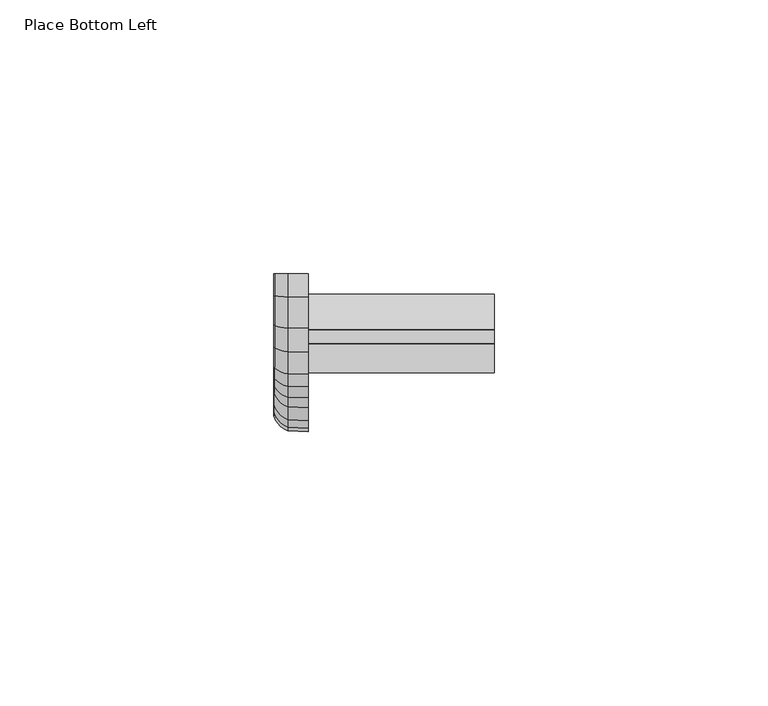
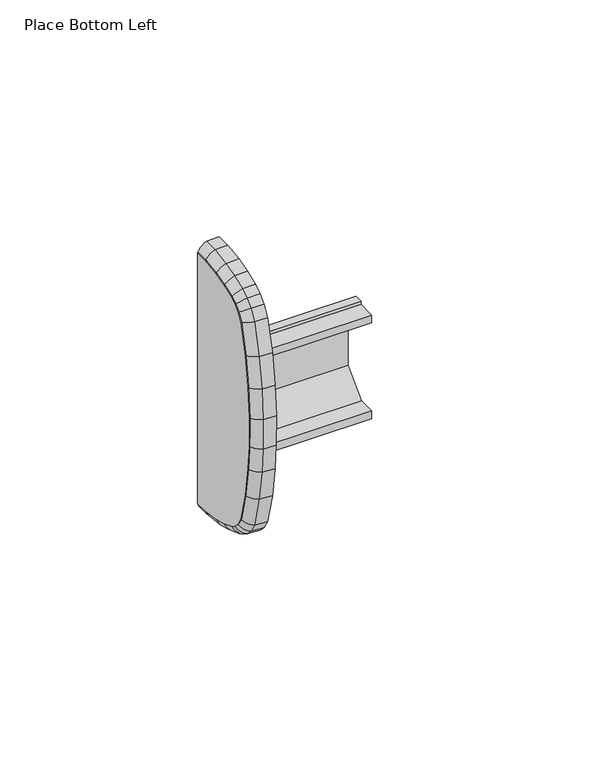
"""IFC4 building model written with IfcOpenShell, lengths in millimetres: furniture geometry, Place Bottom Left."""

from ifc_helpers import new_model, si_unit, frame, origin, place, context, project, spatial, polyline, circle_curve, ellipse_curve, outline, extrude, source, transform, mapped, element, save
from ifc_brep_helpers import plane_surface, cylinder_surface, advanced_brep


def place_bottom_left_934e54ec(model_context):
    return source(origin(), model_context, "Body", "SolidModel", [
        extrude(outline(polyline([(0.0345068, 882.7513972), (0.0345068, 805.5032499), (-4.0166405, 805.5502321), (-9.3269324, 806.320355), (-13.372825, 807.4048753), (-17.0045165, 808.8189114), (-18.7701717, 809.9411301), (-20.2975267, 811.4684851), (-21.7027528, 813.8097775), (-23.8895613, 822.6407597), (-25.23706, 831.6025303), (-25.8162884, 838.9254787), (-25.8925026, 847.8079827), (-25.2359754, 856.6593307), (-23.8895635, 865.6138875), (-21.7027531, 874.4448686), (-20.3113724, 876.7630899), (-18.7701751, 878.3135174), (-17.0045177, 879.4357352), (-13.372825, 880.8497719), (-9.3269329, 881.9342921), (-4.016627, 882.7044151), (0.0345068, 882.7513972)])), frame((-6.2857404, 0.0, 0.0), z_axis=(1.0, 0.0, 0.0), x_axis=(0.0, 1.0, 0.0)), (0.0, 0.0, 1.0), 6.2857404),
        advanced_brep(
        [(-6.2857404, 0.0345067, 805.5032499), (0.0, 0.0345067, 805.5032499), (0.0, 0.0, 802.5278279), (-3.7374705, 0.0022714, 802.7236872), (-3.7374705, -4.2331853, 802.7728069), (-6.2857404, -4.0166405, 805.5502321), (0.0, -4.0166405, 805.5502321), (0.0, -9.3269324, 806.320355), (0.0, -13.372825, 807.4048753), (0.0, -17.0045165, 808.8189114), (0.0, -18.7406187, 809.9223468), (0.0, -20.3136941, 811.4954222), (0.0, -21.7027528, 813.8097775), (0.0, -23.8895613, 822.6407597), (0.0, -25.23706, 831.6025303), (0.0, -25.8162884, 838.9254787), (0.0, -25.8925026, 847.8079827), (0.0, -25.2359754, 856.6593307), (0.0, -23.8895635, 865.6138875), (0.0, -21.7027531, 874.4448686), (0.0, -20.2954399, 876.7896355), (0.0, -18.7739699, 878.3111055), (0.0, -17.0045177, 879.4357352), (0.0, -13.372825, 880.8497719), (0.0, -9.3269329, 881.9342921), (0.0, -4.016627, 882.7044151), (0.0, 0.0345068, 882.7513972), (0.0, 0.0, 885.7268193), (0.0, -4.24843, 885.677549), (0.0, -9.9277677, 884.8539074), (0.0, -14.3006328, 883.6817406), (0.0, -18.3551887, 882.1030579), (0.0, -20.6464891, 880.6467515), (0.0, -22.6583951, 878.6348454), (0.0, -24.4838344, 875.5934262), (0.0, -26.8114085, 866.1939999), (0.0, -28.1951654, 856.9910733), (0.0, -28.8690704, 847.905436), (0.0, -28.7909025, 838.7952363), (0.0, -28.1951654, 831.2635739), (0.0, -26.8114062, 822.0606472), (0.0, -24.4838344, 812.661221), (0.0, -22.67665, 809.6502129), (0.0, -20.6131389, 807.5867018), (0.0, -18.3551887, 806.1515893), (0.0, -14.3006328, 804.5729065), (0.0, -9.9277677, 803.4007397), (0.0, -4.2484439, 802.5770981), (-3.7374705, -9.8882173, 803.5929256), (-6.2857404, -9.3269324, 806.320355), (-3.7374705, -14.2395592, 804.759323), (-6.2857404, -13.372825, 807.4048753), (-3.7374705, -18.2662797, 806.3271677), (-6.2857404, -17.0045165, 808.8189114), (-3.7374705, -20.4898788, 807.7404473), (-6.2857404, -18.7406187, 809.9223468), (-6.2857404, -20.3136941, 811.4954222), (-3.7374705, -22.5211067, 809.7716752), (-3.7374705, -24.3007676, 812.7368256), (-6.2857404, -21.7027528, 813.8097775), (-3.7374705, -26.6190736, 822.0988336), (-6.2857404, -23.8895613, 822.6407597), (-3.7374705, -28.0004459, 831.2858859), (-6.2857404, -25.23706, 831.6025303), (-3.7374705, -28.5950963, 838.8038096), (-6.2857404, -25.8162884, 838.9254787), (-3.7374705, -28.6731357, 847.8990211), (-6.2857404, -25.8925026, 847.8079827), (-3.7374705, -28.0003745, 856.9692361), (-6.2857404, -25.2359754, 856.6593307), (-3.7374705, -26.6190759, 866.1558136), (-6.2857404, -23.8895635, 865.6138875), (-3.7374705, -24.3007677, 875.5178215), (-6.2857404, -21.7027531, 874.4448686), (-3.7374705, -22.5028519, 878.5133831), (-6.2857404, -20.2954399, 876.7896355), (-6.2857404, -18.7739699, 878.3111055), (-3.7374705, -20.5232292, 880.4930058), (-3.7374705, -18.2662798, 881.9274794), (-6.2857404, -17.0045177, 879.4357352), (-3.7374705, -14.2395592, 883.4953242), (-6.2857404, -13.372825, 880.8497719), (-3.7374705, -9.8882173, 884.6617216), (-6.2857404, -9.3269329, 881.9342921), (-3.7374705, -4.2331714, 885.4818403), (-6.2857404, -4.016627, 882.7044151), (-6.2857404, 0.0345068, 882.7513972), (-3.7374705, 0.0022714, 885.5309599)],
        [
            (0, 1),
            (1, 2),
            (2, 3, circle_curve(frame((-0.8383441, 0.2291342, 822.2854707), z_axis=(0.0, 0.9999327587268309, -0.011596466054342036), x_axis=(0.0, -0.011596466054342036, -0.9999327587268309)), 19.7767482)),
            (3, 0, circle_curve(frame((-2.1283423, 0.0490404, 806.7564543), z_axis=(0.0, 0.9999327587268309, -0.011596466054342036), x_axis=(0.0, -0.011596466054342036, -0.9999327587268309)), 4.3421988)),
            (3, 4),
            (4, 5, ellipse_curve(frame((-2.1283423, -3.9190083, 806.8024727), z_axis=(0.0, 0.9969744367081164, -0.07773012640240598), x_axis=(0.0, 0.07773012640240747, 0.9969744367081165)), 4.3517344, 4.3421988)),
            (5, 0),
            (5, 6),
            (6, 1),
            (6, 7),
            (7, 8),
            (8, 9),
            (9, 10),
            (10, 11),
            (11, 12),
            (12, 13),
            (13, 14),
            (14, 15),
            (15, 16),
            (16, 17),
            (17, 18),
            (18, 19),
            (19, 20),
            (20, 21),
            (21, 22),
            (22, 23),
            (23, 24),
            (24, 25),
            (25, 26),
            (26, 27),
            (27, 28),
            (28, 29),
            (29, 30),
            (30, 31),
            (31, 32),
            (32, 33),
            (33, 34),
            (34, 35),
            (35, 36),
            (36, 37),
            (37, 38),
            (38, 39),
            (39, 40),
            (40, 41),
            (41, 42),
            (42, 43),
            (43, 44),
            (44, 45),
            (45, 46),
            (46, 47),
            (47, 2),
            (4, 48),
            (48, 49, ellipse_curve(frame((-2.1283423, -9.0738693, 807.5500543), z_axis=(0.0, 0.9794743974731757, -0.20156861039000995), x_axis=(0.0, 0.20156861039000723, 0.9794743974731761)), 4.3497517, 4.3421988)),
            (49, 5),
            (49, 7),
            (48, 50),
            (50, 51, ellipse_curve(frame((-2.1283423, -12.9820459, 808.5976592), z_axis=(0.0, 0.9502997040868856, -0.31133659022411375), x_axis=(0.0, 0.3113365902241126, 0.9502997040868859)), 4.3487034, 4.3421988)),
            (51, 49),
            (51, 8),
            (50, 52),
            (52, 53, ellipse_curve(frame((-2.1283423, -16.4356331, 809.9423486), z_axis=(0.0, 0.8921397276805985, -0.4517595669091997), x_axis=(0.0, 0.45175956690919966, 0.8921397276805983)), 4.3628926, 4.3421988)),
            (53, 51),
            (53, 9),
            (52, 54),
            (54, 55, ellipse_curve(frame((-2.1283423, -17.9519405, 810.9060864), z_axis=(0.0, 0.7802159010365454, -0.6255103098828441), x_axis=(0.0, 0.6255103098828446, 0.7802159010365447)), 4.3684157, 4.3421988)),
            (55, 53),
            (55, 10),
            (56, 57, ellipse_curve(frame((-2.1283423, -19.3184516, 812.2725975), z_axis=(0.0, -0.6154679787389699, 0.7881618914581996), x_axis=(0.0, -0.7881618914581988, -0.6154679787389709)), 4.37494, 4.3421988)),
            (57, 58),
            (58, 59, ellipse_curve(frame((-2.1283423, -20.5314017, 814.2935327), z_axis=(0.0, 0.3817172500696251, -0.9242791466863695), x_axis=(0.0, 0.9242791466863697, 0.38171725006962437)), 4.3907884, 4.3421988)),
            (59, 56),
            (11, 56),
            (59, 12),
            (58, 60),
            (60, 61, ellipse_curve(frame((-2.1283423, -22.6589228, 822.8850946), z_axis=(0.0, 0.19474198430786013, -0.9808545047803151), x_axis=(0.0, 0.9808545047803152, 0.1947419843078592)), 4.3469486, 4.3421988)),
            (61, 59),
            (61, 13),
            (60, 62),
            (62, 63, ellipse_curve(frame((-2.1283423, -23.9911492, 831.7452938), z_axis=(0.0, 0.11384072236192172, -0.9934990135536703), x_axis=(0.0, 0.9934990135536697, 0.11384072236192677)), 4.3448834, 4.3421988)),
            (63, 61),
            (63, 14),
            (62, 64),
            (64, 65, ellipse_curve(frame((-2.1283423, -24.5634243, 838.9803349), z_axis=(0.0, 0.04374274453800219, -0.9990428280610812), x_axis=(0.0, 0.9990428280610811, 0.04374274453800201)), 4.3448867, 4.3421988)),
            (65, 63),
            (65, 15),
            (64, 66),
            (66, 67, ellipse_curve(frame((-2.1283423, -24.6388157, 847.7669368), z_axis=(0.0, -0.03272262932383325, -0.9994644713696106), x_axis=(0.0, 0.9994644713696106, -0.03272262932383186)), 4.3459062, 4.3421988)),
            (67, 65),
            (67, 16),
            (66, 68),
            (68, 69, ellipse_curve(frame((-2.1283423, -23.9896077, 856.5196055), z_axis=(0.0, -0.11140799859008756, -0.9937747520691754), x_axis=(0.0, 0.9937747520691754, -0.11140799859008675)), 4.3452705, 4.3421988)),
            (69, 67),
            (69, 17),
            (68, 70),
            (70, 71, ellipse_curve(frame((-2.1283423, -22.658925, 865.3695526), z_axis=(0.0, -0.19474197760746192, -0.9808545061106335), x_axis=(0.0, 0.9808545061106329, -0.19474197760746464)), 4.3469486, 4.3421988)),
            (71, 69),
            (71, 18),
            (70, 72),
            (72, 73, ellipse_curve(frame((-2.1283423, -20.5314023, 873.9611128), z_axis=(0.0, -0.381717611517038, -0.9242789974124306), x_axis=(0.0, 0.9242789974124311, -0.3817176115170364)), 4.3907885, 4.3421988)),
            (73, 71),
            (73, 19),
            (72, 74),
            (74, 75, ellipse_curve(frame((-2.1283423, -19.3001976, 876.01246), z_axis=(0.0, -0.6154681972461614, -0.7881617208280036), x_axis=(0.0, 0.7881617208280023, -0.6154681972461632)), 4.3749399, 4.3421988)),
            (75, 73),
            (75, 20),
            (76, 77, ellipse_curve(frame((-2.1283423, -17.9852921, 877.3273655), z_axis=(0.0, 0.7802161816917549, 0.6255099598138616), x_axis=(0.0, -0.6255099598138603, 0.7802161816917559)), 4.3684159, 4.3421988)),
            (77, 78),
            (78, 79, ellipse_curve(frame((-2.1283423, -16.4356348, 878.3122978), z_axis=(0.0, -0.8921399303769456, -0.45175916662201643), x_axis=(0.0, 0.4517591666220173, -0.8921399303769451)), 4.3628924, 4.3421988)),
            (79, 76),
            (21, 76),
            (79, 22),
            (78, 80),
            (80, 81, ellipse_curve(frame((-2.1283423, -12.9820459, 879.6569879), z_axis=(0.0, -0.9502997040868852, -0.31133659022411486), x_axis=(0.0, 0.3113365902241159, -0.9502997040868848)), 4.3487034, 4.3421988)),
            (81, 79),
            (81, 23),
            (80, 82),
            (82, 83, ellipse_curve(frame((-2.1283423, -9.0738701, 880.7045926), z_axis=(0.0, -0.9794744325328959, -0.20156844002561936), x_axis=(0.0, 0.20156844002562038, -0.9794744325328957)), 4.3497517, 4.3421988)),
            (83, 81),
            (83, 24),
            (82, 84),
            (84, 85, ellipse_curve(frame((-2.1283423, -3.918995, 881.4521744), z_axis=(0.0, -0.9969744487525573, -0.07772997191903935), x_axis=(0.0, 0.07772997191904141, -0.996974448752557)), 4.3517343, 4.3421988)),
            (85, 83),
            (85, 25),
            (86, 87, circle_curve(frame((-2.1283423, 0.0490406, 881.4981929), z_axis=(0.0, 0.9999327582865746, 0.011596504016419845), x_axis=(0.0, -0.011596504016419845, 0.9999327582865746)), 4.3421988)),
            (87, 27, circle_curve(frame((-0.8383441, 0.229135, 865.9691765), z_axis=(0.0, 0.9999327582865746, 0.011596504016419845), x_axis=(0.0, -0.011596504016419845, 0.9999327582865746)), 19.7767482)),
            (26, 86),
            (84, 87),
            (86, 85),
            (54, 57),
            (56, 55),
            (74, 77),
            (76, 75),
            (47, 4, ellipse_curve(frame((-0.8383441, -2.7092038, 822.3195473), z_axis=(0.0, 0.9969744367081164, -0.07773012640240598), x_axis=(0.0, 0.07773012640240747, 0.9969744367081165)), 19.8201783, 19.7767482)),
            (46, 48, ellipse_curve(frame((-0.8383441, -5.9380516, 822.7878096), z_axis=(0.0, 0.9794743974731757, -0.20156861039000995), x_axis=(0.0, 0.20156861039000723, 0.9794743974731761)), 19.8111479, 19.7767482)),
            (45, 50, ellipse_curve(frame((-0.8383441, -8.1397269, 823.3779789), z_axis=(0.0, 0.9502997040868856, -0.31133659022411375), x_axis=(0.0, 0.3113365902241126, 0.9502997040868859)), 19.8063736, 19.7767482)),
            (44, 52, ellipse_curve(frame((-0.8383441, -9.3863439, 823.8633619), z_axis=(0.0, 0.8921397276805985, -0.4517595669091997), x_axis=(0.0, 0.45175956690919966, 0.8921397276805983)), 19.8709991, 19.7767482)),
            (43, 54, ellipse_curve(frame((-0.8383441, -8.179076, 823.0960442), z_axis=(0.0, 0.7802159010365454, -0.6255103098828441), x_axis=(0.0, 0.6255103098828446, 0.7802159010365447)), 19.8961543, 19.7767482)),
            (42, 57, ellipse_curve(frame((-0.8383441, -6.9859557, 821.9029239), z_axis=(0.0, 0.6154679787389699, -0.7881618914581996), x_axis=(0.0, 0.7881618914582005, 0.615467978738969)), 19.9258695, 19.7767482)),
            (41, 58, ellipse_curve(frame((-0.8383441, -6.0166669, 820.2879606), z_axis=(0.0, 0.3817172500696251, -0.9242791466863695), x_axis=(0.0, 0.9242791466863697, 0.38171725006962437)), 19.9980517, 19.7767482)),
            (40, 60, ellipse_curve(frame((-0.8383441, -7.4095305, 825.9127576), z_axis=(0.0, 0.19474198430786013, -0.9808545047803151), x_axis=(0.0, 0.9808545047803152, 0.1947419843078592)), 19.7983811, 19.7767482)),
            (39, 62, ellipse_curve(frame((-0.8383441, -8.5525103, 833.5143401), z_axis=(0.0, 0.11384072236192172, -0.9934990135536703), x_axis=(0.0, 0.9934990135536697, 0.11384072236192677)), 19.7889751, 19.7767482)),
            (38, 64, ellipse_curve(frame((-0.8383441, -9.0386244, 839.6600829), z_axis=(0.0, 0.04374274453800219, -0.9990428280610812), x_axis=(0.0, 0.9990428280610811, 0.04374274453800201)), 19.7889904, 19.7767482)),
            (37, 66, ellipse_curve(frame((-0.8383441, -9.1038193, 847.2583185), z_axis=(0.0, -0.03272262932383325, -0.9994644713696106), x_axis=(0.0, 0.9994644713696106, -0.03272262932383186)), 19.7936337, 19.7767482)),
            (36, 68, ellipse_curve(frame((-0.8383441, -8.545308, 854.7882086), z_axis=(0.0, -0.11140799859008756, -0.9937747520691754), x_axis=(0.0, 0.9937747520691754, -0.11140799859008675)), 19.7907383, 19.7767482)),
            (35, 70, ellipse_curve(frame((-0.8383441, -7.4095326, 862.3418897), z_axis=(0.0, -0.19474197760746192, -0.9808545061106335), x_axis=(0.0, 0.9808545061106329, -0.19474197760746464)), 19.7983813, 19.7767482)),
            (34, 72, ellipse_curve(frame((-0.8383441, -6.0166694, 867.9666791), z_axis=(0.0, -0.381717611517038, -0.9242789974124306), x_axis=(0.0, 0.9242789974124311, -0.3817176115170364)), 19.9980522, 19.7767482)),
            (33, 74, ellipse_curve(frame((-0.8383441, -6.9677048, 866.3821305), z_axis=(0.0, -0.6154681972461614, -0.7881617208280036), x_axis=(0.0, 0.7881617208280023, -0.6154681972461632)), 19.9258688, 19.7767482)),
            (32, 77, ellipse_curve(frame((-0.8383441, -8.2124326, 865.1374027), z_axis=(0.0, -0.7802161816917549, -0.6255099598138616), x_axis=(0.0, 0.6255099598138629, -0.7802161816917536)), 19.8961553, 19.7767482)),
            (31, 78, ellipse_curve(frame((-0.8383441, -9.3863522, 864.391282), z_axis=(0.0, -0.8921399303769456, -0.45175916662201643), x_axis=(0.0, 0.4517591666220173, -0.8921399303769451)), 19.8709982, 19.7767482)),
            (30, 80, ellipse_curve(frame((-0.8383441, -8.1397269, 864.8766683), z_axis=(0.0, -0.9502997040868852, -0.31133659022411486), x_axis=(0.0, 0.3113365902241159, -0.9502997040868848)), 19.8063736, 19.7767482)),
            (29, 82, ellipse_curve(frame((-0.8383441, -5.938055, 865.4668367), z_axis=(0.0, -0.9794744325328959, -0.20156844002561936), x_axis=(0.0, 0.20156844002562038, -0.9794744325328957)), 19.8111481, 19.7767482)),
            (28, 84, ellipse_curve(frame((-0.8383441, -2.7091929, 865.9350999), z_axis=(0.0, -0.9969744487525573, -0.07772997191903935), x_axis=(0.0, 0.07772997191904141, -0.996974448752557)), 19.8201781, 19.7767482)),
        ],
        [
            plane_surface(frame((0.0, 0.0, 802.5278279), z_axis=(0.0, 0.9999327587268309, -0.011596466054342036), x_axis=(1.0, 0.0, 0.0))),
            cylinder_surface(frame((-2.1283423, 0.0490404, 806.7564543), z_axis=(0.0, 0.9999327587268309, -0.011596466054342036), x_axis=(0.0, -0.011596466054342036, -0.9999327587268309)), 4.3421988),
            plane_surface(frame((-6.2857404, 0.0345067, 805.5032499), z_axis=(0.0, 0.01159646605433752, 0.999932758726831), x_axis=(0.0, -0.999932758726831, 0.01159646605433752))),
            plane_surface(frame((0.0, 0.0345067, 805.5032499), z_axis=(1.0000000000000002, 0.0, 0.0), x_axis=(0.0, -0.999932758726831, 0.011596466054337583))),
            cylinder_surface(frame((-2.1283423, -3.6414973, 806.7622268), z_axis=(0.0, 0.9896469612561982, -0.14352314125733592), x_axis=(0.0, -0.14352314125733592, -0.9896469612561982)), 4.3421988),
            plane_surface(frame((-6.2857404, -4.0166405, 805.5502321), z_axis=(0.0, 0.14352314125734983, 0.9896469612561961), x_axis=(0.0, -0.9896469612561961, 0.14352314125734983))),
            cylinder_surface(frame((-2.1283423, -8.8328432, 807.4854461), z_axis=(0.0, 0.9659003565903547, -0.25891408061097326), x_axis=(0.0, -0.25891408061097326, -0.9659003565903547)), 4.3421988),
            plane_surface(frame((-6.2857404, -9.3269324, 806.320355), z_axis=(0.0, 0.2589140806109739, 0.9659003565903547), x_axis=(0.0, -0.9659003565903547, 0.2589140806109739))),
            cylinder_surface(frame((-2.1283423, -12.7662667, 808.5136434), z_axis=(0.0, 0.9318562301396386, -0.36282773646724004), x_axis=(0.0, -0.36282773646724004, -0.9318562301396386)), 4.3421988),
            plane_surface(frame((-6.2857404, -13.372825, 807.4048753), z_axis=(0.0, 0.36282773646726024, 0.9318562301396308), x_axis=(0.0, -0.9318562301396308, 0.36282773646726024))),
            cylinder_surface(frame((-2.1283423, -16.0867761, 809.7206214), z_axis=(0.0, 0.8439601459651733, -0.536405883657556), x_axis=(0.0, -0.536405883657556, -0.8439601459651733)), 4.3421988),
            plane_surface(frame((-6.2857404, -17.0045165, 808.8189114), z_axis=(0.0, 0.5364058836575887, 0.8439601459651525), x_axis=(0.0, -0.8439601459651525, 0.5364058836575887))),
            cylinder_surface(frame((-2.1283423, -19.0506969, 811.8264827), z_axis=(0.0, 0.5146170971480157, -0.8574201090031361), x_axis=(0.0, -0.8574201090031361, -0.5146170971480157)), 4.3421988),
            plane_surface(frame((-6.2857404, -20.3136941, 811.4954222), z_axis=(0.0, 0.8574201090031561, 0.5146170971479823), x_axis=(0.0, -0.5146170971479823, 0.8574201090031561))),
            cylinder_surface(frame((-2.1283423, -20.3789086, 813.6777202), z_axis=(0.0, 0.24036904584971175, -0.9706815759028804), x_axis=(0.0, -0.9706815759028804, -0.24036904584971175)), 4.3421988),
            plane_surface(frame((-6.2857404, -21.7027528, 813.8097775), z_axis=(0.0, 0.9706815759028814, 0.24036904584970756), x_axis=(0.0, -0.24036904584970756, 0.9706815759028814))),
            cylinder_surface(frame((-2.1283423, -22.6295042, 822.6894412), z_axis=(0.0, 0.14868934975290193, -0.9888839554113816), x_axis=(0.0, -0.9888839554113816, -0.14868934975290193)), 4.3421988),
            plane_surface(frame((-6.2857404, -23.8895613, 822.6407597), z_axis=(0.0, 0.9888839554113816, 0.14868934975290132), x_axis=(0.0, -0.14868934975290132, 0.9888839554113816))),
            cylinder_surface(frame((-2.1283423, -23.9794218, 831.5970295), z_axis=(0.0, 0.07885141907682833, -0.9968863795385964), x_axis=(0.0, -0.9968863795385964, -0.07885141907682833)), 4.3421988),
            plane_surface(frame((-6.2857404, -25.23706, 831.6025303), z_axis=(0.0, 0.9968863795385964, 0.07885141907682928), x_axis=(0.0, -0.07885141907682928, 0.9968863795385964))),
            cylinder_surface(frame((-2.1283423, -24.5621474, 838.8315201), z_axis=(0.0, 0.008579948444344397, -0.9999631915649158), x_axis=(0.0, -0.9999631915649158, -0.008579948444344397)), 4.3421988),
            plane_surface(frame((-6.2857404, -25.8162884, 838.9254787), z_axis=(0.0, 0.9999631915649158, 0.008579948444344256), x_axis=(0.0, -0.008579948444344256, 0.9999631915649158))),
            cylinder_surface(frame((-2.1283423, -24.6517447, 847.5926261), z_axis=(0.0, -0.07396937732392801, -0.9972605132152332), x_axis=(0.0, -0.9972605132152332, 0.07396937732392801)), 4.3421988),
            plane_surface(frame((-6.2857404, -25.8925026, 847.8079827), z_axis=(0.0, 0.9972605132152332, -0.07396937732392846), x_axis=(0.0, 0.07396937732392846, 0.9972605132152332))),
            cylinder_surface(frame((-2.1283423, -24.0132632, 856.3622803), z_axis=(0.0, -0.14868911112834435, -0.9888839912911236), x_axis=(0.0, -0.9888839912911236, 0.14868911112834435)), 4.3421988),
            plane_surface(frame((-6.2857404, -25.2359754, 856.6593307), z_axis=(0.0, 0.9888839912911238, -0.14868911112834288), x_axis=(0.0, 0.14868911112834288, 0.9888839912911238))),
            cylinder_surface(frame((-2.1283423, -22.706483, 865.1774997), z_axis=(0.0, -0.2403692668200883, -0.970681521184149), x_axis=(0.0, -0.970681521184149, 0.2403692668200883)), 4.3421988),
            plane_surface(frame((-6.2857404, -23.8895635, 865.6138875), z_axis=(0.0, 0.9706815211841487, -0.24036926682008858), x_axis=(0.0, 0.24036926682008858, 0.9706815211841487))),
            cylinder_surface(frame((-2.1283423, -20.8578825, 873.4171544), z_axis=(0.0, -0.5146175725641725, -0.8574198236617572), x_axis=(0.0, -0.8574198236617572, 0.5146175725641725)), 4.3421988),
            plane_surface(frame((-6.2857404, -21.7027531, 874.4448686), z_axis=(0.0, 0.85741982366176, -0.5146175725641678), x_axis=(0.0, 0.5146175725641678, 0.85741982366176))),
            cylinder_surface(frame((-2.1283423, -18.3780797, 877.0777173), z_axis=(0.0, -0.8439606273162843, -0.5364051263176967), x_axis=(0.0, -0.5364051263176967, 0.8439606273162843)), 4.3421988),
            plane_surface(frame((-6.2857404, -18.7739699, 878.3111055), z_axis=(0.0, 0.5364051263177059, -0.8439606273162783), x_axis=(0.0, 0.8439606273162783, 0.5364051263177059))),
            cylinder_surface(frame((-2.1283423, -16.8208225, 878.1623211), z_axis=(0.0, -0.9318562301396383, -0.362827736467241), x_axis=(0.0, -0.362827736467241, 0.9318562301396383)), 4.3421988),
            plane_surface(frame((-6.2857404, -17.0045177, 879.4357352), z_axis=(0.0, 0.3628277364672633, -0.9318562301396296), x_axis=(0.0, 0.9318562301396296, 0.3628277364672633))),
            cylinder_surface(frame((-2.1283423, -13.2057083, 879.5970342), z_axis=(0.0, -0.9659003565903544, -0.2589140806109746), x_axis=(0.0, -0.2589140806109746, 0.9659003565903544)), 4.3421988),
            plane_surface(frame((-6.2857404, -13.372825, 880.8497719), z_axis=(0.0, 0.2589140806109949, -0.965900356590349), x_axis=(0.0, 0.965900356590349, 0.2589140806109949))),
            cylinder_surface(frame((-2.1283423, -9.3208226, 880.6687785), z_axis=(0.0, -0.9896470111833894, -0.14352279698983114), x_axis=(0.0, -0.14352279698983114, 0.9896470111833894)), 4.3421988),
            plane_surface(frame((-6.2857404, -9.3269329, 881.9342921), z_axis=(0.0, 0.14352279698982964, -0.9896470111833897), x_axis=(0.0, 0.9896470111833897, 0.14352279698982964))),
            plane_surface(frame((0.0, 0.0, 885.7268193), z_axis=(0.0, 0.9999327582865746, 0.011596504016419073), x_axis=(1.0, 0.0, 0.0))),
            cylinder_surface(frame((-2.1283423, -4.1993894, 881.4489226), z_axis=(0.0, -0.9999327582865746, -0.011596504016419845), x_axis=(0.0, -0.011596504016419845, 0.9999327582865746)), 4.3421988),
            plane_surface(frame((-6.2857404, -4.016627, 882.7044151), z_axis=(0.0, 0.011596504016427206, -0.9999327582865746), x_axis=(0.0, 0.9999327582865746, 0.011596504016427206))),
            cylinder_surface(frame((-2.1283423, -17.6228474, 810.5769932), z_axis=(0.0, 0.7071067811865435, -0.7071067811865518), x_axis=(0.0, -0.7071067811865518, -0.7071067811865435)), 4.3421988),
            plane_surface(frame((-6.2857404, -18.7406187, 809.9223468), z_axis=(0.0, 0.7071067811865409, 0.7071067811865542), x_axis=(0.0, -0.7071067811865542, 0.7071067811865409))),
            cylinder_surface(frame((-2.1283423, -19.6681037, 875.644554), z_axis=(0.0, -0.7071067811865444, -0.7071067811865508), x_axis=(0.0, -0.7071067811865508, 0.7071067811865444)), 4.3421988),
            plane_surface(frame((-6.2857404, -20.2954399, 876.7896355), z_axis=(0.0, 0.7071067811865691, -0.7071067811865259), x_axis=(0.0, 0.7071067811865259, 0.7071067811865691))),
            cylinder_surface(frame((-0.8383441, 0.2291342, 822.2854707), z_axis=(0.0, 0.9999327587268309, -0.011596466054342036), x_axis=(0.0, -0.011596466054342036, -0.9999327587268309)), 19.7767482),
            cylinder_surface(frame((-0.8383441, -1.4125743, 822.1315041), z_axis=(0.0, 0.9896469612561982, -0.14352314125733592), x_axis=(0.0, -0.14352314125733592, -0.9896469612561982)), 19.7767482),
            cylinder_surface(frame((-0.8383441, -4.8118918, 822.4859372), z_axis=(0.0, 0.9659003565903547, -0.25891408061097326), x_axis=(0.0, -0.25891408061097326, -0.9659003565903547)), 19.7767482),
            cylinder_surface(frame((-0.8383441, -7.13153, 822.9854271), z_axis=(0.0, 0.9318562301396386, -0.36282773646724004), x_axis=(0.0, -0.36282773646724004, -0.9318562301396386)), 19.7767482),
            cylinder_surface(frame((-0.8383441, -7.7563602, 822.8273736), z_axis=(0.0, 0.8439601459651733, -0.536405883657556), x_axis=(0.0, -0.536405883657556, -0.8439601459651733)), 19.7767482),
            cylinder_surface(frame((-0.8383441, -6.6414362, 821.5584044), z_axis=(0.0, 0.7071067811865435, -0.7071067811865518), x_axis=(0.0, -0.7071067811865518, -0.7071067811865435)), 19.7767482),
            cylinder_surface(frame((-0.8383441, -5.7349106, 819.8185174), z_axis=(0.0, 0.5146170971480157, -0.8574201090031361), x_axis=(0.0, -0.8574201090031361, -0.5146170971480157)), 19.7767482),
            cylinder_surface(frame((-0.8383441, -5.3041649, 817.4106661), z_axis=(0.0, 0.24036904584971175, -0.9706815759028804), x_axis=(0.0, -0.9706815759028804, -0.24036904584971175)), 19.7767482),
            cylinder_surface(frame((-0.8383441, -7.2720765, 824.9985959), z_axis=(0.0, 0.14868934975290193, -0.9888839554113816), x_axis=(0.0, -0.9888839554113816, -0.14868934975290193)), 19.7767482),
            cylinder_surface(frame((-0.8383441, -8.4977159, 832.8215968), z_axis=(0.0, 0.07885141907682833, -0.9968863795385964), x_axis=(0.0, -0.9968863795385964, -0.07885141907682833)), 19.7767482),
            cylinder_surface(frame((-0.8383441, -9.0326584, 838.9647672), z_axis=(0.0, 0.008579948444344397, -0.9999631915649158), x_axis=(0.0, -0.9999631915649158, -0.008579948444344397)), 19.7767482),
            cylinder_surface(frame((-0.8383441, -9.1642285, 846.4438772), z_axis=(0.0, -0.07396937732392801, -0.9972605132152332), x_axis=(0.0, -0.9972605132152332, 0.07396937732392801)), 19.7767482),
            cylinder_surface(frame((-0.8383441, -8.6558349, 854.0531294), z_axis=(0.0, -0.14868911112834435, -0.9888839912911236), x_axis=(0.0, -0.9888839912911236, 0.14868911112834435)), 19.7767482),
            cylinder_surface(frame((-0.8383441, -7.6317401, 861.4445504), z_axis=(0.0, -0.2403692668200883, -0.970681521184149), x_axis=(0.0, -0.970681521184149, 0.2403692668200883)), 19.7767482),
            cylinder_surface(frame((-0.8383441, -7.5421006, 865.4251123), z_axis=(0.0, -0.5146175725641725, -0.8574198236617572), x_axis=(0.0, -0.8574198236617572, 0.5146175725641725)), 19.7767482),
            cylinder_surface(frame((-0.8383441, -8.6866925, 864.6631428), z_axis=(0.0, -0.7071067811865444, -0.7071067811865508), x_axis=(0.0, -0.7071067811865508, 0.7071067811865444)), 19.7767482),
            cylinder_surface(frame((-0.8383441, -10.0476756, 863.9709576), z_axis=(0.0, -0.8439606273162843, -0.5364051263176967), x_axis=(0.0, -0.5364051263176967, 0.8439606273162843)), 19.7767482),
            cylinder_surface(frame((-0.8383441, -11.1860858, 863.6905373), z_axis=(0.0, -0.9318562301396383, -0.362827736467241), x_axis=(0.0, -0.362827736467241, 0.9318562301396383)), 19.7767482),
            cylinder_surface(frame((-0.8383441, -9.1847569, 864.5965431), z_axis=(0.0, -0.9659003565903544, -0.2589140806109746), x_axis=(0.0, -0.2589140806109746, 0.9659003565903544)), 19.7767482),
            cylinder_surface(frame((-0.8383441, -7.0919049, 865.2995005), z_axis=(0.0, -0.9896470111833894, -0.14352279698983114), x_axis=(0.0, -0.14352279698983114, 0.9896470111833894)), 19.7767482),
            cylinder_surface(frame((-0.8383441, -4.019295, 865.9199063), z_axis=(0.0, -0.9999327582865746, -0.011596504016419845), x_axis=(0.0, -0.011596504016419845, 0.9999327582865746)), 19.7767482),
        ],
        [
            (0, [[1, 2, 3, 4]]),
            (1, [[-4, 5, 6, 7]]),
            (2, [[-1, -7, 8, 9]]),
            (3, [[-2, -9, 10, 11, 12, 13, 14, 15, 16, 17, 18, 19, 20, 21, 22, 23, 24, 25, 26, 27, 28, 29, 30, 31, 32, 33, 34, 35, 36, 37, 38, 39, 40, 41, 42, 43, 44, 45, 46, 47, 48, 49, 50, 51]]),
            (4, [[-6, 52, 53, 54]]),
            (5, [[-8, -54, 55, -10]]),
            (6, [[-53, 56, 57, 58]]),
            (7, [[-55, -58, 59, -11]]),
            (8, [[-57, 60, 61, 62]]),
            (9, [[-59, -62, 63, -12]]),
            (10, [[-61, 64, 65, 66]]),
            (11, [[-63, -66, 67, -13]]),
            (12, [[68, 69, 70, 71]]),
            (13, [[72, -71, 73, -15]]),
            (14, [[-70, 74, 75, 76]]),
            (15, [[-73, -76, 77, -16]]),
            (16, [[-75, 78, 79, 80]]),
            (17, [[-77, -80, 81, -17]]),
            (18, [[-79, 82, 83, 84]]),
            (19, [[-81, -84, 85, -18]]),
            (20, [[-83, 86, 87, 88]]),
            (21, [[-85, -88, 89, -19]]),
            (22, [[-87, 90, 91, 92]]),
            (23, [[-89, -92, 93, -20]]),
            (24, [[-91, 94, 95, 96]]),
            (25, [[-93, -96, 97, -21]]),
            (26, [[-95, 98, 99, 100]]),
            (27, [[-97, -100, 101, -22]]),
            (28, [[-99, 102, 103, 104]]),
            (29, [[-101, -104, 105, -23]]),
            (30, [[106, 107, 108, 109]]),
            (31, [[110, -109, 111, -25]]),
            (32, [[-108, 112, 113, 114]]),
            (33, [[-111, -114, 115, -26]]),
            (34, [[-113, 116, 117, 118]]),
            (35, [[-115, -118, 119, -27]]),
            (36, [[-117, 120, 121, 122]]),
            (37, [[-119, -122, 123, -28]]),
            (38, [[124, 125, -30, 126]]),
            (39, [[-121, 127, -124, 128]]),
            (40, [[-123, -128, -126, -29]]),
            (41, [[-65, 129, -68, 130]]),
            (42, [[-67, -130, -72, -14]]),
            (43, [[-103, 131, -106, 132]]),
            (44, [[-105, -132, -110, -24]]),
            (45, [[-3, -51, 133, -5]]),
            (46, [[-133, -50, 134, -52]]),
            (47, [[-134, -49, 135, -56]]),
            (48, [[-135, -48, 136, -60]]),
            (49, [[-136, -47, 137, -64]]),
            (50, [[-137, -46, 138, -129]]),
            (51, [[-138, -45, 139, -69]]),
            (52, [[-139, -44, 140, -74]]),
            (53, [[-140, -43, 141, -78]]),
            (54, [[-141, -42, 142, -82]]),
            (55, [[-142, -41, 143, -86]]),
            (56, [[-143, -40, 144, -90]]),
            (57, [[-144, -39, 145, -94]]),
            (58, [[-145, -38, 146, -98]]),
            (59, [[-146, -37, 147, -102]]),
            (60, [[-147, -36, 148, -131]]),
            (61, [[-148, -35, 149, -107]]),
            (62, [[-149, -34, 150, -112]]),
            (63, [[-150, -33, 151, -116]]),
            (64, [[-151, -32, 152, -120]]),
            (65, [[-152, -31, -125, -127]]),
        ],
    ),
        extrude(outline(polyline([(-10.1829994, 861.5622538), (-10.1272139, 858.8455591), (-3.6890145, 852.1786085), (-3.6890145, 836.9586684), (-10.1271764, 830.2789889), (-10.1829994, 827.5622942), (-12.6287418, 827.616506), (-12.732753, 828.5125269), (-18.0287415, 828.6165903), (-18.0381943, 831.0026366), (-12.9803755, 831.1045822), (-6.1968403, 837.8881174), (-6.1968403, 851.0928821), (-13.0397886, 857.9358305), (-18.0207119, 858.1097682), (-18.0207119, 860.5118355), (-12.729928, 860.6291099), (-12.6287418, 861.508042), (-10.1829994, 861.5622538)])), frame((0.0, 0.0, 0.0), z_axis=(1.0, 0.0, 0.0), x_axis=(0.0, 1.0, 0.0)), (0.0, 0.0, 1.0), 33.9999987),
    ])


if __name__ == "__main__":
    model = new_model("IFC4")
    model_context = context("Model", 3, world=origin())
    ifc_project = project(units=[si_unit("LENGTHUNIT", "METRE", prefix="MILLI")], contexts=[model_context])
    site = spatial("IfcSite", under=ifc_project)
    building = spatial("IfcBuilding", under=site)
    placement = place(None, origin())
    place_bottom_left_shape = place_bottom_left_934e54ec(model_context)
    element("IfcFurniture", 1, ObjectType="Place Bottom Left", at=placement, inside=building, context=model_context, shape_type="MappedRepresentation", body=[
        mapped(place_bottom_left_shape, transform((0.0, 0.0, 0.0), x_axis=(1.0, 0.0, 0.0), y_axis=(0.0, 1.0, 0.0), z_axis=(0.0, 0.0, 1.0))),
    ])
    save(model, "model.ifc")
